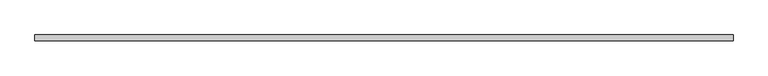
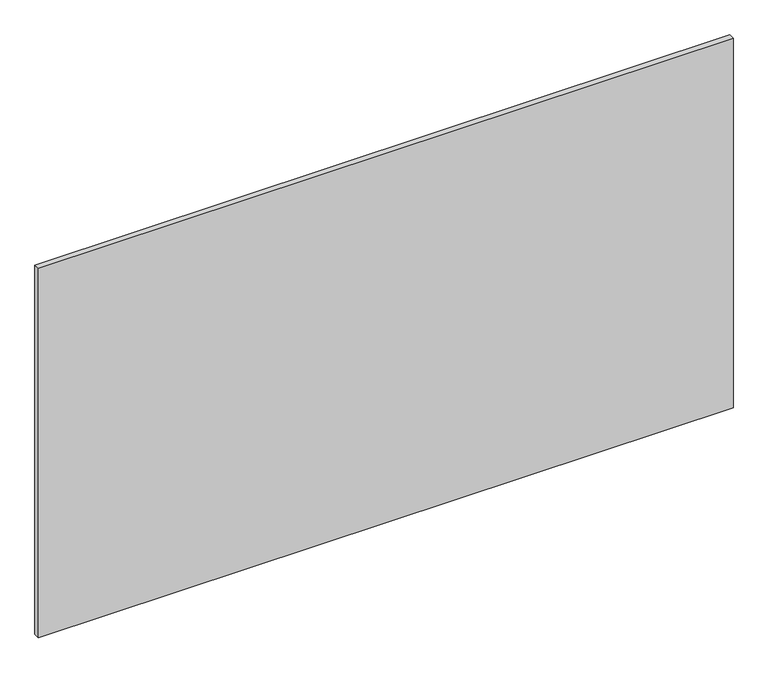
"""IFC4 building model written with IfcOpenShell, lengths in millimetres: plate geometry."""

from ifc_helpers import new_model, si_unit, origin, origin_with_axes, place, context, project, spatial, polyline, outline, extrude, source, transform, mapped, element, save


def plate_03cadb09(model_context):
    return source(origin(), model_context, "Body", "SweptSolid", [
        extrude(outline(polyline([(616.65, 5.0), (616.65, -5.0), (-616.65, -5.0), (-616.65, 5.0), (616.65, 5.0)])), origin_with_axes(), (0.0, 0.0, 1.0), 693.2),
    ])


if __name__ == "__main__":
    model = new_model("IFC4")
    model_context = context("Model", 3, world=origin())
    ifc_project = project(units=[si_unit("LENGTHUNIT", "METRE", prefix="MILLI")], contexts=[model_context])
    site = spatial("IfcSite", under=ifc_project)
    building = spatial("IfcBuilding", under=site)
    placement = place(None, origin())
    plate_shape = plate_03cadb09(model_context)
    element("IfcPlate", 1, at=placement, inside=building, context=model_context, shape_type="MappedRepresentation", body=[
        mapped(plate_shape, transform((0.0, 0.0, 0.0), x_axis=(1.0, 0.0, 0.0), y_axis=(0.0, 1.0, 0.0), z_axis=(0.0, 0.0, 1.0))),
    ])
    save(model, "model.ifc")
